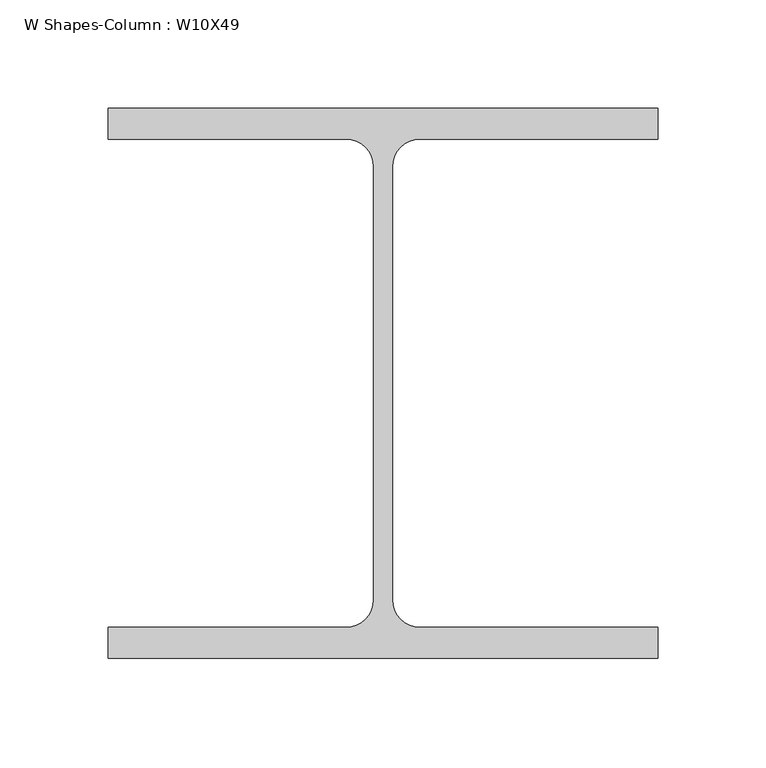
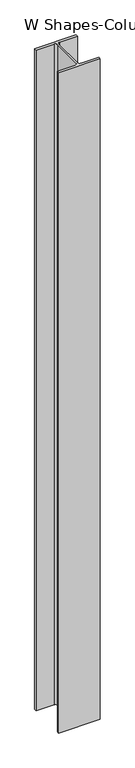
"""IFC4 building model written with IfcOpenShell, lengths in millimetres: column geometry, W Shapes-Column : W10X49."""

from ifc_helpers import new_model, si_unit, point, frame, frame_2d, origin, place, context, project, spatial, polyline, circle_curve, trimmed, segment, composite_curve, outline, extrude, source, transform, mapped, element, save


def w_shapes_column_w10x49_c367c46a(model_context):
    return source(origin(), model_context, "Body", "SweptSolid", [
        extrude(outline(composite_curve([segment(polyline([(127.0, 127.0), (127.0, 112.776), (17.018, 112.776)]), True, "CONTINUOUS"), segment(trimmed(circle_curve(frame_2d((17.018, 100.076)), 12.7), [point((17.018, 112.776))], [point((4.318, 100.076))], True, "CARTESIAN"), True, "CONTINUOUS"), segment(polyline([(4.318, 100.076), (4.318, -100.076)]), True, "CONTINUOUS"), segment(trimmed(circle_curve(frame_2d((17.018, -100.076)), 12.7), [point((4.318, -100.076))], [point((17.018, -112.776))], True, "CARTESIAN"), True, "CONTINUOUS"), segment(polyline([(17.018, -112.776), (127.0, -112.776), (127.0, -127.0), (-127.0, -127.0), (-127.0, -112.776), (-17.018, -112.776)]), True, "CONTINUOUS"), segment(trimmed(circle_curve(frame_2d((-17.018, -100.076)), 12.7), [point((-17.018, -112.776))], [point((-4.318, -100.076))], True, "CARTESIAN"), True, "CONTINUOUS"), segment(polyline([(-4.318, -100.076), (-4.318, 100.076)]), True, "CONTINUOUS"), segment(trimmed(circle_curve(frame_2d((-17.018, 100.076)), 12.7), [point((-4.318, 100.076))], [point((-17.018, 112.776))], True, "CARTESIAN"), True, "CONTINUOUS"), segment(polyline([(-17.018, 112.776), (-127.0, 112.776), (-127.0, 127.0), (127.0, 127.0)]), True, "CONTINUOUS")], self_intersect=False)), frame((0.0, 0.0, 198120.0), z_axis=(0.0, 0.0, 1.0), x_axis=(1.0, 0.0, 0.0)), (0.0, 0.0, 1.0), 4267.2),
    ])


if __name__ == "__main__":
    model = new_model("IFC4")
    model_context = context("Model", 3, world=origin())
    ifc_project = project(units=[si_unit("LENGTHUNIT", "METRE", prefix="MILLI")], contexts=[model_context])
    site = spatial("IfcSite", under=ifc_project)
    building = spatial("IfcBuilding", under=site)
    placement = place(None, origin())
    w_shapes_column_w10x49_shape = w_shapes_column_w10x49_c367c46a(model_context)
    element("IfcColumn", 1, ObjectType="W Shapes-Column : W10X49", at=placement, inside=building, context=model_context, shape_type="MappedRepresentation", body=[
        mapped(w_shapes_column_w10x49_shape, transform((0.0, 0.0, 0.0), x_axis=(1.0, 0.0, 0.0), y_axis=(0.0, 1.0, 0.0), z_axis=(0.0, 0.0, 1.0))),
    ])
    save(model, "model.ifc")
